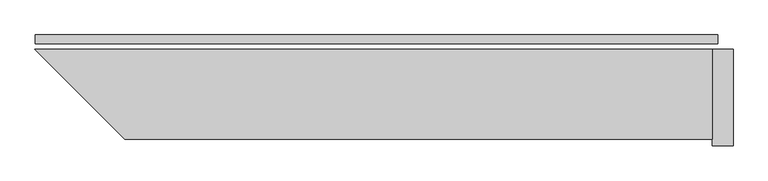
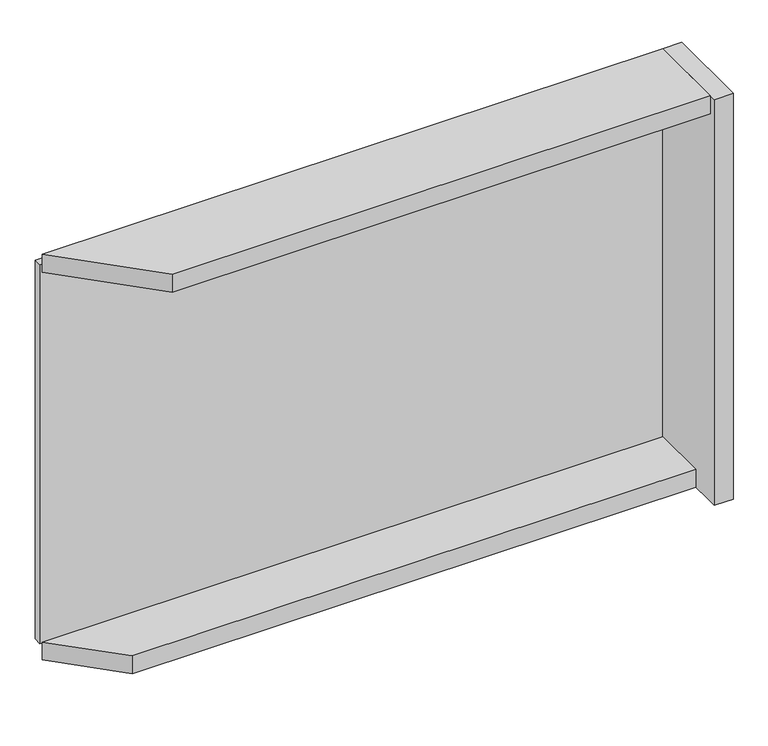
"""IFC4 building model written with IfcOpenShell, lengths in millimetres: plate geometry."""

from ifc_helpers import new_model, si_unit, frame, origin, origin_with_axes, place, context, project, spatial, polyline, outline, extrude, source, transform, mapped, element, save


def plate_5f53f370(model_context):
    return source(origin(), model_context, "Body", "SweptSolid", [
        extrude(outline(polyline([(986.5, 0.0), (986.5, -25.0), (-986.5, -25.0), (-986.5, 0.0), (986.5, 0.0)])), origin_with_axes(), (0.0, 0.0, 1.0), 1264.465707),
        extrude(outline(polyline([(971.5, -221.0), (-807.0735931, -221.0), (-987.0735931, -41.0), (971.5, -41.0), (971.5, -221.0)])), frame((0.0, 0.0, -45.0), z_axis=(0.0, 0.0, 1.0), x_axis=(1.0, 0.0, 0.0)), (0.0, 0.0, 1.0), 60.0),
        extrude(outline(polyline([(971.5, -301.0), (-727.0735931, -301.0), (-987.0735931, -41.0), (971.5, -41.0), (971.5, -301.0)])), frame((0.0, 0.0, 1249.465707), z_axis=(0.0, 0.0, 1.0), x_axis=(1.0, 0.0, 0.0)), (0.0, 0.0, 1.0), 60.0),
        extrude(outline(polyline([(1031.5, -41.0), (1031.5, -321.0), (971.5, -321.0), (971.5, -41.0), (1031.5, -41.0)])), frame((0.0, 0.0, -45.0), z_axis=(0.0, 0.0, 1.0), x_axis=(1.0, 0.0, 0.0)), (0.0, 0.0, 1.0), 1354.465707),
    ])


if __name__ == "__main__":
    model = new_model("IFC4")
    model_context = context("Model", 3, world=origin())
    ifc_project = project(units=[si_unit("LENGTHUNIT", "METRE", prefix="MILLI")], contexts=[model_context])
    site = spatial("IfcSite", under=ifc_project)
    building = spatial("IfcBuilding", under=site)
    placement = place(None, origin())
    plate_shape = plate_5f53f370(model_context)
    element("IfcPlate", 1, at=placement, inside=building, context=model_context, shape_type="MappedRepresentation", body=[
        mapped(plate_shape, transform((0.0, 0.0, 0.0), x_axis=(1.0, 0.0, 0.0), y_axis=(0.0, 1.0, 0.0), z_axis=(0.0, 0.0, 1.0))),
    ])
    save(model, "model.ifc")
